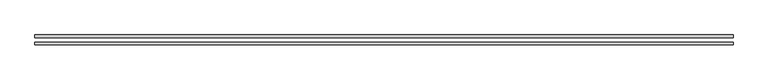
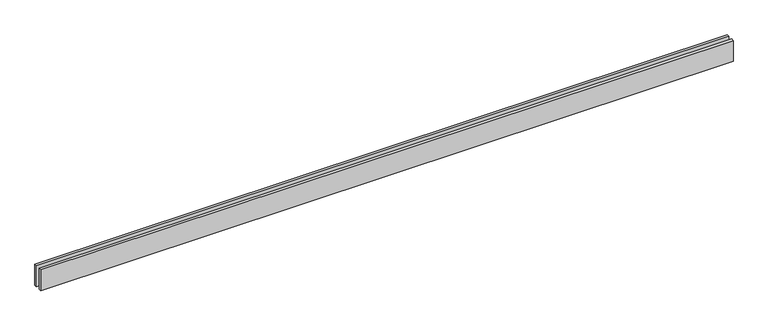
"""IFC4 building model written with IfcOpenShell, lengths in millimetres: proxy geometry."""

from ifc_helpers import new_model, si_unit, origin, origin_with_axes, place, context, project, spatial, polyline, outline, extrude, source, transform, mapped, element, save


def generic_models_46acc9ae(model_context):
    return source(origin(), model_context, "Body", "SweptSolid", [
        extrude(outline(polyline([(7813.2034356, -25.0), (7813.2034356, -55.0), (0.0, -55.0), (0.0, -25.0), (7813.2034356, -25.0)])), origin_with_axes(), (0.0, 0.0, 1.0), 250.0),
        extrude(outline(polyline([(7813.2034356, 55.0), (7813.2034356, 25.0), (0.0, 25.0), (0.0, 55.0), (7813.2034356, 55.0)])), origin_with_axes(), (0.0, 0.0, 1.0), 250.0),
    ])


if __name__ == "__main__":
    model = new_model("IFC4")
    model_context = context("Model", 3, world=origin())
    ifc_project = project(units=[si_unit("LENGTHUNIT", "METRE", prefix="MILLI")], contexts=[model_context])
    site = spatial("IfcSite", under=ifc_project)
    building = spatial("IfcBuilding", under=site)
    placement = place(None, origin())
    generic_models_shape = generic_models_46acc9ae(model_context)
    element("IfcBuildingElementProxy", 1, Name="Generic Models", at=placement, inside=building, context=model_context, shape_type="MappedRepresentation", body=[
        mapped(generic_models_shape, transform((0.0, 0.0, 0.0), x_axis=(1.0, 0.0, 0.0), y_axis=(0.0, 1.0, 0.0), z_axis=(0.0, 0.0, 1.0))),
    ])
    save(model, "model.ifc")
